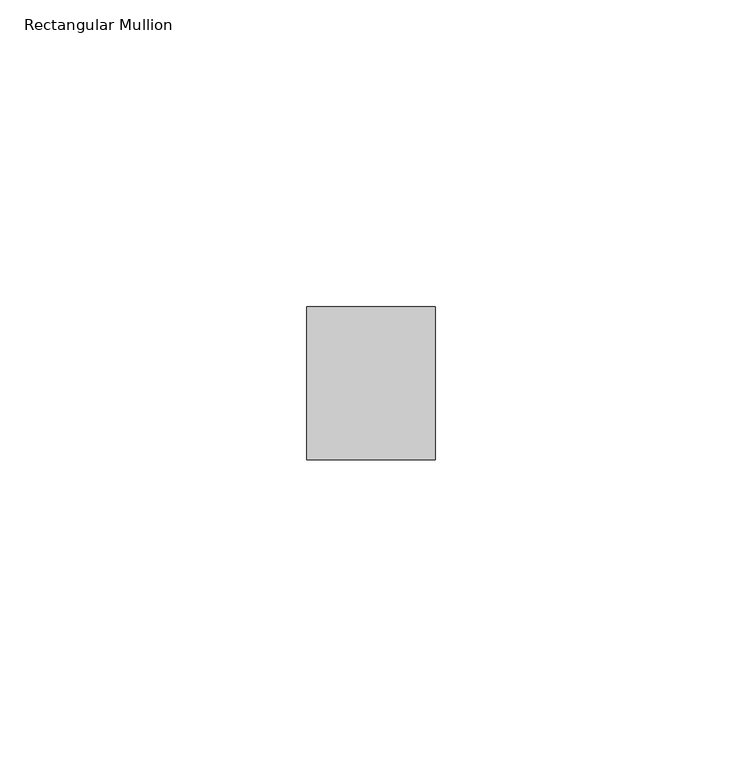
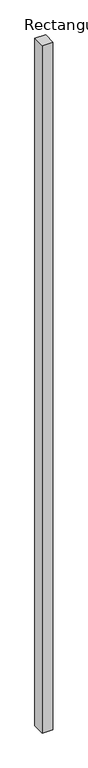
"""IFC4 building model written with IfcOpenShell, lengths in millimetres: member geometry, Rectangular Mullion."""

from ifc_helpers import new_model, si_unit, frame, origin, place, context, project, spatial, polyline, outline, extrude, source, transform, mapped, element, save


def rectangular_mullion_2c5262db(model_context):
    return source(origin(), model_context, "Body", "SweptSolid", [
        extrude(outline(polyline([(0.0, 44.5), (0.0, 19.5), (-21.0, 19.5), (-21.0, 44.5), (0.0, 44.5)])), frame((0.0, 0.0, -1424.9999998), z_axis=(0.0, 0.0, 1.0), x_axis=(1.0, 0.0, 0.0)), (0.0, 0.0, 1.0), 1424.9999998),
    ])


if __name__ == "__main__":
    model = new_model("IFC4")
    model_context = context("Model", 3, world=origin())
    ifc_project = project(units=[si_unit("LENGTHUNIT", "METRE", prefix="MILLI")], contexts=[model_context])
    site = spatial("IfcSite", under=ifc_project)
    building = spatial("IfcBuilding", under=site)
    placement = place(None, origin())
    rectangular_mullion_shape = rectangular_mullion_2c5262db(model_context)
    element("IfcMember", 1, ObjectType="Rectangular Mullion", at=placement, inside=building, context=model_context, shape_type="MappedRepresentation", body=[
        mapped(rectangular_mullion_shape, transform((0.0, 0.0, 0.0), x_axis=(1.0, 0.0, 0.0), y_axis=(0.0, 1.0, 0.0), z_axis=(0.0, 0.0, 1.0))),
    ])
    save(model, "model.ifc")
